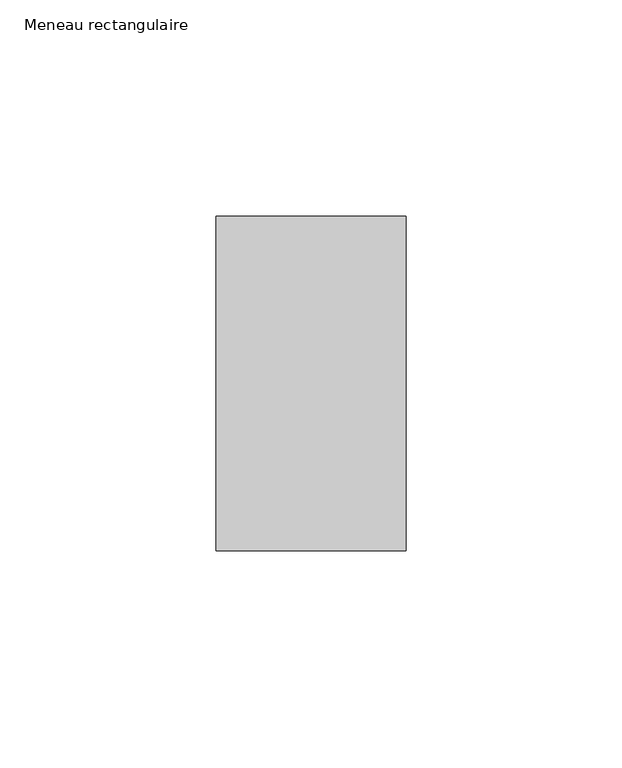
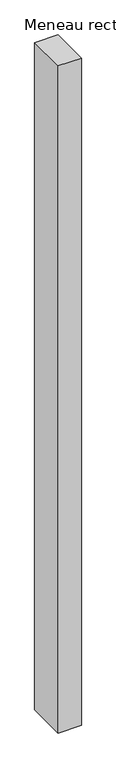
"""IFC4 building model written with IfcOpenShell, lengths in millimetres: member geometry, Meneau rectangulaire."""

from ifc_helpers import new_model, si_unit, frame, origin, place, context, project, spatial, polyline, outline, extrude, source, transform, mapped, element, save


def meneau_rectangulaire_d1f138cd(model_context):
    return source(origin(), model_context, "Body", "SweptSolid", [
        extrude(outline(polyline([(-44.0, 38.75), (0.0, 38.75), (0.0, -38.75), (-44.0, -38.75), (-44.0, 38.75)])), frame((0.0, 0.0, -1341.3333335), z_axis=(0.0, 0.0, 1.0), x_axis=(1.0, 0.0, 0.0)), (0.0, 0.0, 1.0), 1341.3333335),
    ])


if __name__ == "__main__":
    model = new_model("IFC4")
    model_context = context("Model", 3, world=origin())
    ifc_project = project(units=[si_unit("LENGTHUNIT", "METRE", prefix="MILLI")], contexts=[model_context])
    site = spatial("IfcSite", under=ifc_project)
    building = spatial("IfcBuilding", under=site)
    placement = place(None, origin())
    meneau_rectangulaire_shape = meneau_rectangulaire_d1f138cd(model_context)
    element("IfcMember", 1, ObjectType="Meneau rectangulaire", at=placement, inside=building, context=model_context, shape_type="MappedRepresentation", body=[
        mapped(meneau_rectangulaire_shape, transform((0.0, 0.0, 0.0), x_axis=(1.0, 0.0, 0.0), y_axis=(0.0, 1.0, 0.0), z_axis=(0.0, 0.0, 1.0))),
    ])
    save(model, "model.ifc")
